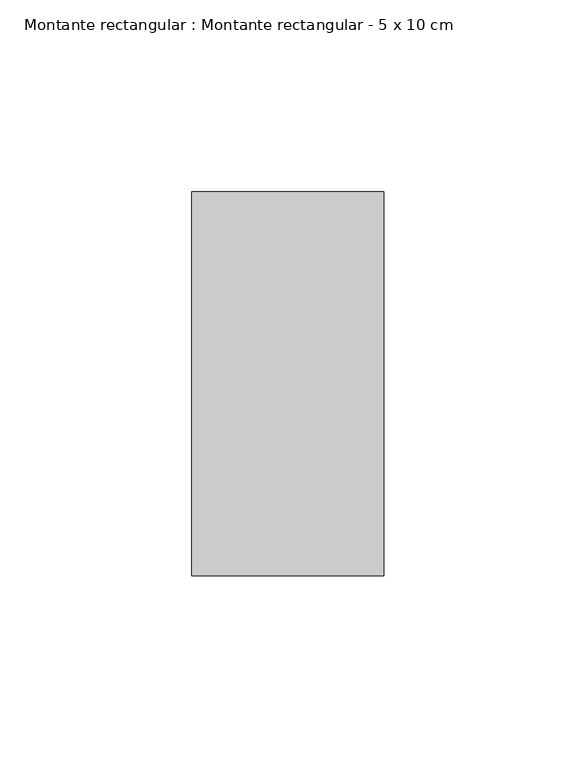
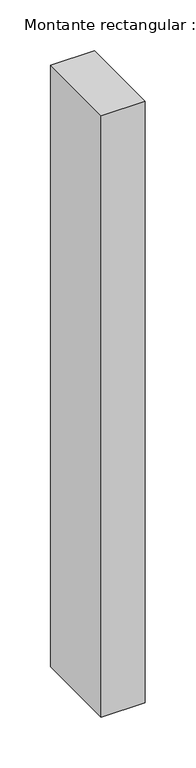
"""IFC4 building model written with IfcOpenShell, lengths in millimetres: member geometry, Montante rectangular : Montante rectangular - 5 x 10 cm."""

from ifc_helpers import new_model, si_unit, frame, origin, place, context, project, spatial, polyline, outline, extrude, source, transform, mapped, element, save


def montante_rectangular_montante_rectangular_5_x_10_cm_14b713ef(model_context):
    return source(origin(), model_context, "Body", "SweptSolid", [
        extrude(outline(polyline([(25.0, 50.0), (25.0, -50.0), (-25.0, -50.0), (-25.0, 50.0), (25.0, 50.0)])), frame((0.0, 0.0, -723.7704445), z_axis=(0.0, 0.0, 1.0), x_axis=(1.0, 0.0, 0.0)), (0.0, 0.0, 1.0), 723.7704445),
    ])


if __name__ == "__main__":
    model = new_model("IFC4")
    model_context = context("Model", 3, world=origin())
    ifc_project = project(units=[si_unit("LENGTHUNIT", "METRE", prefix="MILLI")], contexts=[model_context])
    site = spatial("IfcSite", under=ifc_project)
    building = spatial("IfcBuilding", under=site)
    placement = place(None, origin())
    montante_rectangular_montante_rectangular_5_x_10_cm_shape = montante_rectangular_montante_rectangular_5_x_10_cm_14b713ef(model_context)
    element("IfcMember", 1, ObjectType="Montante rectangular : Montante rectangular - 5 x 10 cm", at=placement, inside=building, context=model_context, shape_type="MappedRepresentation", body=[
        mapped(montante_rectangular_montante_rectangular_5_x_10_cm_shape, transform((0.0, 0.0, 0.0), x_axis=(1.0, 0.0, 0.0), y_axis=(0.0, 1.0, 0.0), z_axis=(0.0, 0.0, 1.0))),
    ])
    save(model, "model.ifc")
